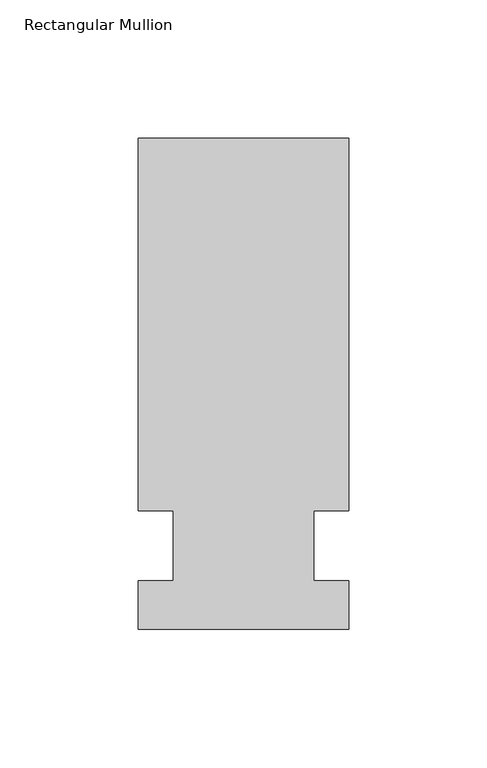
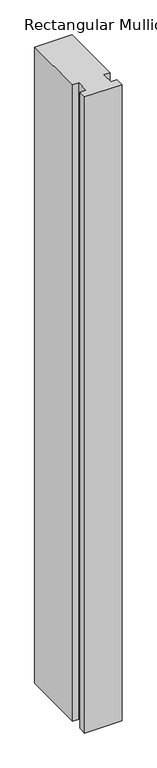
"""IFC4 building model written with IfcOpenShell, lengths in millimetres: member geometry, Rectangular Mullion."""

from ifc_helpers import new_model, si_unit, frame, origin, place, context, project, spatial, polyline, outline, extrude, source, transform, mapped, element, save


def rectangular_mullion_7a2a103f(model_context):
    return source(origin(), model_context, "Body", "SweptSolid", [
        extrude(outline(polyline([(38.4656527, 147.6375), (38.4656527, 12.7), (25.7638822, 12.7), (25.7638822, -12.7), (38.4656527, -12.7), (38.4656527, -30.1625), (-37.7343473, -30.1625), (-37.7343473, -12.7), (-25.0343473, -12.7), (-25.0343473, 12.7), (-37.7343473, 12.7), (-37.7343473, 147.6375), (38.4656527, 147.6375)])), frame((0.0, 0.0, -1378.907264), z_axis=(0.0, 0.0, 1.0), x_axis=(1.0, 0.0, 0.0)), (0.0, 0.0, 1.0), 1378.907264),
    ])


if __name__ == "__main__":
    model = new_model("IFC4")
    model_context = context("Model", 3, world=origin())
    ifc_project = project(units=[si_unit("LENGTHUNIT", "METRE", prefix="MILLI")], contexts=[model_context])
    site = spatial("IfcSite", under=ifc_project)
    building = spatial("IfcBuilding", under=site)
    placement = place(None, origin())
    rectangular_mullion_shape = rectangular_mullion_7a2a103f(model_context)
    element("IfcMember", 1, ObjectType="Rectangular Mullion", at=placement, inside=building, context=model_context, shape_type="MappedRepresentation", body=[
        mapped(rectangular_mullion_shape, transform((0.0, 0.0, 0.0), x_axis=(1.0, 0.0, 0.0), y_axis=(0.0, 1.0, 0.0), z_axis=(0.0, 0.0, 1.0))),
    ])
    save(model, "model.ifc")
